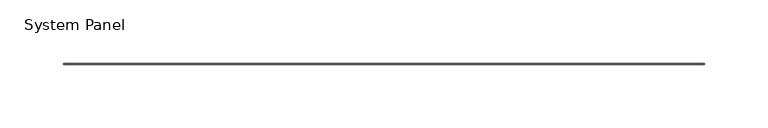
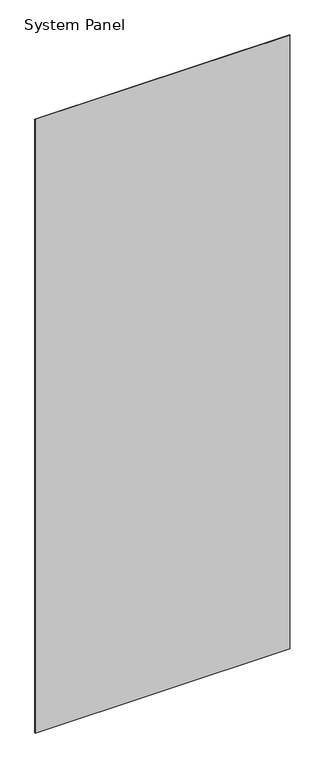
"""IFC4 building model written with IfcOpenShell, lengths in millimetres: plate geometry, System Panel."""

from ifc_helpers import new_model, si_unit, origin, origin_with_axes, place, context, project, spatial, polyline, outline, extrude, source, transform, mapped, element, save


def system_panel_ff8069ff(model_context):
    return source(origin(), model_context, "Body", "SweptSolid", [
        extrude(outline(polyline([(252.3490002, -0.396875), (-252.3490002, -0.396875), (-252.3490002, 0.396875), (252.3490002, 0.396875), (252.3490002, -0.396875)])), origin_with_axes(), (0.0, 0.0, 1.0), 1285.875),
    ])


if __name__ == "__main__":
    model = new_model("IFC4")
    model_context = context("Model", 3, world=origin())
    ifc_project = project(units=[si_unit("LENGTHUNIT", "METRE", prefix="MILLI")], contexts=[model_context])
    site = spatial("IfcSite", under=ifc_project)
    building = spatial("IfcBuilding", under=site)
    placement = place(None, origin())
    system_panel_shape = system_panel_ff8069ff(model_context)
    element("IfcPlate", 1, ObjectType="System Panel", at=placement, inside=building, context=model_context, shape_type="MappedRepresentation", body=[
        mapped(system_panel_shape, transform((0.0, 0.0, 0.0), x_axis=(1.0, 0.0, 0.0), y_axis=(0.0, 1.0, 0.0), z_axis=(0.0, 0.0, 1.0))),
    ])
    save(model, "model.ifc")
